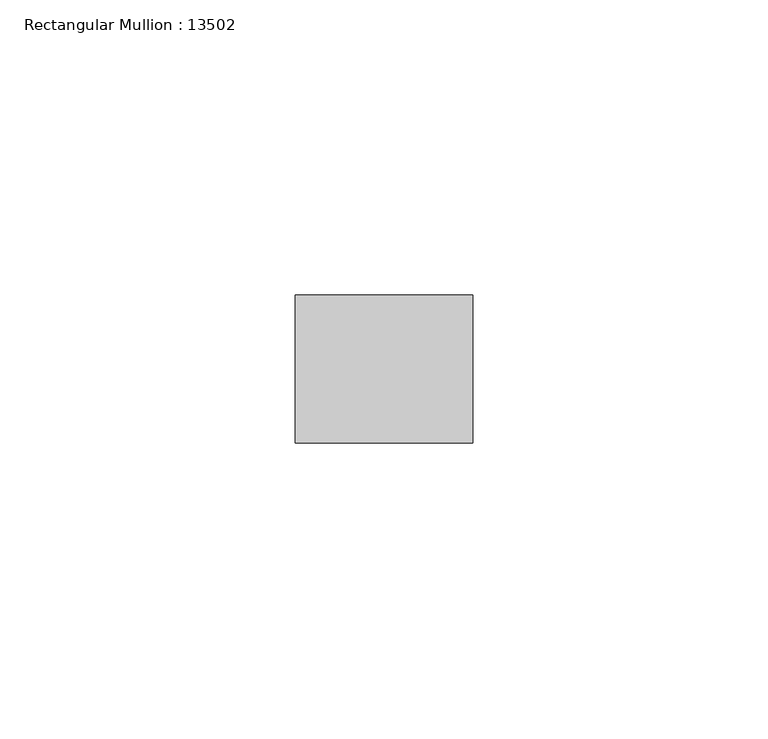
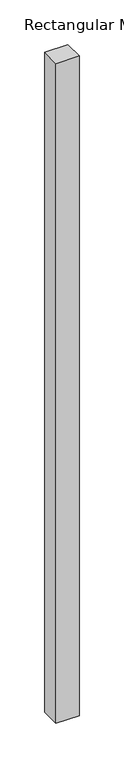
"""IFC4 building model written with IfcOpenShell, lengths in millimetres: member geometry, Rectangular Mullion : 13502."""

from ifc_helpers import new_model, si_unit, frame, origin, place, context, project, spatial, polyline, outline, extrude, source, transform, mapped, element, save


def rectangular_mullion_13502_e4d4af61(model_context):
    return source(origin(), model_context, "Body", "SweptSolid", [
        extrude(outline(polyline([(0.0, -12.5), (-29.9999993, -12.5), (-29.9999993, 12.5), (0.0, 12.5), (0.0, -12.5)])), frame((0.0, 0.0, -900.0), z_axis=(0.0, 0.0, 1.0), x_axis=(1.0, 0.0, 0.0)), (0.0, 0.0, 1.0), 900.0),
    ])


if __name__ == "__main__":
    model = new_model("IFC4")
    model_context = context("Model", 3, world=origin())
    ifc_project = project(units=[si_unit("LENGTHUNIT", "METRE", prefix="MILLI")], contexts=[model_context])
    site = spatial("IfcSite", under=ifc_project)
    building = spatial("IfcBuilding", under=site)
    placement = place(None, origin())
    rectangular_mullion_13502_shape = rectangular_mullion_13502_e4d4af61(model_context)
    element("IfcMember", 1, ObjectType="Rectangular Mullion : 13502", at=placement, inside=building, context=model_context, shape_type="MappedRepresentation", body=[
        mapped(rectangular_mullion_13502_shape, transform((0.0, 0.0, 0.0), x_axis=(1.0, 0.0, 0.0), y_axis=(0.0, 1.0, 0.0), z_axis=(0.0, 0.0, 1.0))),
    ])
    save(model, "model.ifc")
